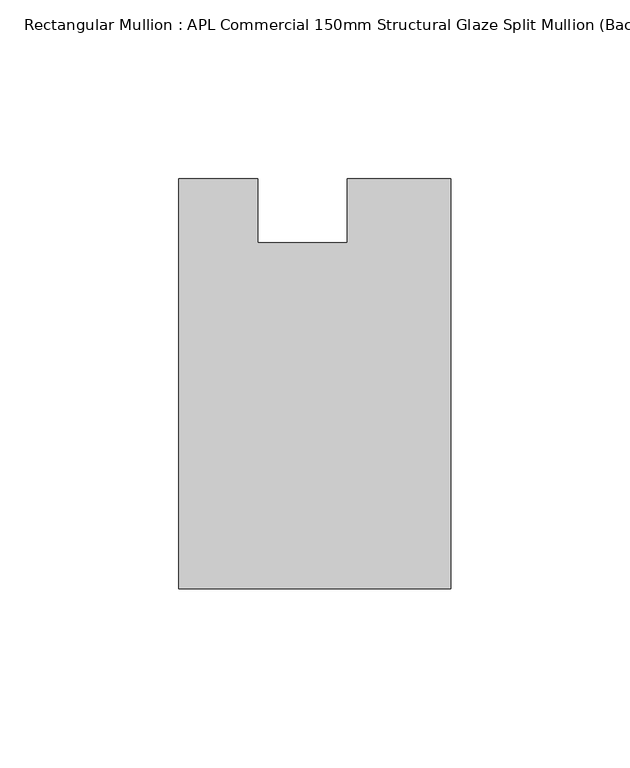
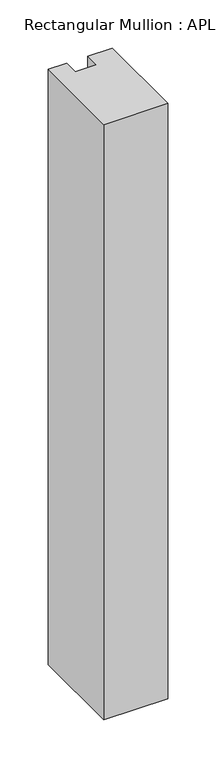
"""IFC4 building model written with IfcOpenShell, lengths in millimetres: member geometry, Rectangular Mullion : APL Commercial 150mm Structural Glaze Split Mullion (Back)."""

import ifcopenshell
import ifcopenshell.guid

model = None  # the IFC model being written
_history = None  # IfcOwnerHistory: only IFC2X3 demands one
_inside = {}  # id of a spatial element -> (the spatial element, [elements in it])
_under = {}  # id of a project, library or spatial element -> (it, [spatial elements below it])
_declared = {}  # id of a project -> (the project, [libraries it declares])
_typed = {}  # id of a type object -> (the type object, [elements of that type])
_made_of = {}  # id of a material, layer set ... -> (it, [elements and type objects made of it])


def new_model(schema):
    """Start an empty IFC model of exactly this schema.

    Asked for "IFC4X3", IfcOpenShell would pick the latest addendum, in which some entities
    have other attributes; the version numbers below select the first issue.
    IFC2X3 requires an IfcOwnerHistory on every rooted entity: one is made here for all.
    """
    global model, _history
    if schema == "IFC4X3":
        model = ifcopenshell.file(schema_version=(4, 3, 0, 0))
    else:
        model = ifcopenshell.file(schema=schema)
    _inside.clear()
    _under.clear()
    _declared.clear()
    _typed.clear()
    _made_of.clear()
    _history = None
    if model.schema == "IFC2X3":
        org = make("IfcOrganization", Name="unknown")
        user = make(
            "IfcPersonAndOrganization",
            ThePerson=make("IfcPerson", FamilyName="unknown"),
            TheOrganization=org,
        )
        app = make(
            "IfcApplication",
            ApplicationDeveloper=org,
            Version="unknown",
            ApplicationFullName="unknown",
            ApplicationIdentifier="unknown",
        )
        _history = make(
            "IfcOwnerHistory",
            OwningUser=user,
            OwningApplication=app,
            ChangeAction="ADDED",
            CreationDate=0,
        )
    return model


def make(cls, **values):
    """One entity of the class cls with the attributes given. An attribute that is None is left unset."""
    return model.create_entity(
        cls, **{name: value for name, value in values.items() if value is not None}
    )


def rooted(cls, **values):
    """An entity with a GlobalId (a new one), such as an element, a storey or a relation."""
    return make(cls, GlobalId=ifcopenshell.guid.new(), OwnerHistory=_history, **values)


def si_unit(unit_type, name, prefix=None):
    """IfcSIUnit, for example si_unit("LENGTHUNIT", "METRE", prefix="MILLI")."""
    return make("IfcSIUnit", UnitType=unit_type, Prefix=prefix, Name=name)


def assignment(units):
    """IfcUnitAssignment: the units of a project."""
    return None if units is None else make("IfcUnitAssignment", Units=units)


def point(xyz):
    """IfcCartesianPoint."""
    return None if xyz is None else make("IfcCartesianPoint", Coordinates=xyz)


def direction(xyz):
    """IfcDirection."""
    return None if xyz is None else make("IfcDirection", DirectionRatios=xyz)


def frame(location, z_axis=None, x_axis=None):
    """IfcAxis2Placement3D, a coordinate frame: its origin and axes. An axis left out is left unset."""
    return make(
        "IfcAxis2Placement3D",
        Location=point(location),
        Axis=direction(z_axis),
        RefDirection=direction(x_axis),
    )


def origin():
    """The frame at (0, 0, 0) with its axes left unset."""
    return frame((0.0, 0.0, 0.0))


def place(relative_to, where):
    """IfcLocalPlacement: puts the frame where relative to a parent placement (None: the world)."""
    return make(
        "IfcLocalPlacement", PlacementRelTo=relative_to, RelativePlacement=where
    )


def context(
    kind, dimensions, precision=None, world=None, true_north=None, identifier=None
):
    """IfcGeometricRepresentationContext, for example the 3D "Model" context."""
    return make(
        "IfcGeometricRepresentationContext",
        ContextIdentifier=identifier,
        ContextType=kind,
        CoordinateSpaceDimension=dimensions,
        Precision=precision,
        WorldCoordinateSystem=world,
        TrueNorth=true_north,
    )


def project(units=None, contexts=None):
    """IfcProject with its units and contexts."""
    return rooted(
        "IfcProject",
        Name="project",
        RepresentationContexts=contexts,
        UnitsInContext=assignment(units),
    )


def spatial(cls, under=None, at=None, **own):
    """A site, building, storey or space (cls), placed at a placement, below another one or the project."""
    s = rooted(cls, ObjectPlacement=at, **own)
    if under is not None:
        _under.setdefault(under.id(), (under, []))[1].append(s)
    return s


def polyline(points):
    """IfcPolyline through the points."""
    return make("IfcPolyline", Points=[point(p) for p in points])


def outline(outer, holes=None, kind="AREA"):
    """IfcArbitraryClosedProfileDef: a profile drawn as a closed curve; with holes, ...WithVoids."""
    if holes is None:
        return make("IfcArbitraryClosedProfileDef", ProfileType=kind, OuterCurve=outer)
    return make(
        "IfcArbitraryProfileDefWithVoids",
        ProfileType=kind,
        OuterCurve=outer,
        InnerCurves=holes,
    )


def extrude(swept, where, along, depth):
    """IfcExtrudedAreaSolid: the profile swept, set in the frame where, extruded along a direction by depth."""
    return make(
        "IfcExtrudedAreaSolid",
        SweptArea=swept,
        Position=where,
        ExtrudedDirection=direction(along),
        Depth=depth,
    )


def shape(context_of_items, identifier, shape_type, items):
    """IfcShapeRepresentation: the items that make up one representation, for example the "Body"."""
    return make(
        "IfcShapeRepresentation",
        ContextOfItems=context_of_items,
        RepresentationIdentifier=identifier,
        RepresentationType=shape_type,
        Items=items,
    )


def source(mapping_origin, context_of_items, identifier, shape_type, items):
    """IfcRepresentationMap: a shape defined once, which mapped items show again and again."""
    return make(
        "IfcRepresentationMap",
        MappingOrigin=mapping_origin,
        MappedRepresentation=shape(context_of_items, identifier, shape_type, items),
    )


def transform(
    local_origin,
    x_axis=None,
    y_axis=None,
    z_axis=None,
    scale=None,
    scale2=None,
    scale3=None,
    uniform=True,
):
    """IfcCartesianTransformationOperator3D, or its non-uniform kind. x_axis, y_axis, z_axis: its Axis1, 2, 3."""
    if uniform:
        return make(
            "IfcCartesianTransformationOperator3D",
            Axis1=direction(x_axis),
            Axis2=direction(y_axis),
            LocalOrigin=point(local_origin),
            Scale=scale,
            Axis3=direction(z_axis),
        )
    return make(
        "IfcCartesianTransformationOperator3DnonUniform",
        Axis1=direction(x_axis),
        Axis2=direction(y_axis),
        LocalOrigin=point(local_origin),
        Scale=scale,
        Axis3=direction(z_axis),
        Scale2=scale2,
        Scale3=scale3,
    )


def mapped(mapping_source, mapping_target):
    """IfcMappedItem: shows the shape of a source again, moved by a transform."""
    return make(
        "IfcMappedItem", MappingSource=mapping_source, MappingTarget=mapping_target
    )


def made_of(thing, what):
    """Note that an element or type object is made of a material, layer set ...; save() writes the relation."""
    if what is not None:
        _made_of.setdefault(what.id(), (what, []))[1].append(thing)
    return thing


def element(
    cls,
    number,
    at=None,
    inside=None,
    cuts=None,
    type_object=None,
    material=None,
    context=None,
    identifier="Body",
    shape_type=None,
    held_by="IfcProductDefinitionShape",
    body=None,
    shapes=None,
    **own,
):
    """One element of the class cls, such as IfcWall. Its Tag is "e" and its number.

    at: its placement. inside: the storey or other place that contains it. cuts: it is an
    opening in that element (IfcRelVoidsElement). A single representation is given by context,
    identifier, shape_type and body (its items); several are given by shapes. held_by: the class
    of the entity that holds the representations. save() writes the other relations.
    """
    e = rooted(cls, Tag="e%d" % number, ObjectPlacement=at, **own)
    if body is not None:
        shapes = [shape(context, identifier, shape_type, body)]
    if shapes is not None:
        e.Representation = make(held_by, Representations=shapes)
    if inside is not None:
        _inside.setdefault(inside.id(), (inside, []))[1].append(e)
    if cuts is not None:
        rooted(
            "IfcRelVoidsElement", RelatingBuildingElement=cuts, RelatedOpeningElement=e
        )
    if type_object is not None:
        _typed.setdefault(type_object.id(), (type_object, []))[1].append(e)
    return made_of(e, material)


def aggregate(whole, parts):
    """IfcRelAggregates: a whole, such as a stair, and the parts it consists of."""
    return rooted("IfcRelAggregates", RelatingObject=whole, RelatedObjects=parts)


def save(model, path):
    """Write the relations noted so far, then the file.

    IfcRelAggregates (storeys below a building ...), IfcRelContainedInSpatialStructure (elements
    in a storey), IfcRelDefinesByType, IfcRelAssociatesMaterial and IfcRelDeclares: one each for
    every whole, place, type object, material and project.
    """
    for whole, parts in _under.values():
        aggregate(whole, parts)
    for where, things in _inside.values():
        rooted(
            "IfcRelContainedInSpatialStructure",
            RelatedElements=things,
            RelatingStructure=where,
        )
    for kind, things in _typed.values():
        rooted("IfcRelDefinesByType", RelatedObjects=things, RelatingType=kind)
    for what, things in _made_of.values():
        rooted("IfcRelAssociatesMaterial", RelatedObjects=things, RelatingMaterial=what)
    for by, libraries in _declared.values():
        rooted("IfcRelDeclares", RelatingContext=by, RelatedDefinitions=libraries)
    model.write(path)


def rectangular_mullion_apl_commercial_150mm_structural_glaze_53c9c017(model_context):
    return source(origin(), model_context, "Body", "SweptSolid", [
        extrude(outline(polyline([(37.9999914, -129.5195626), (-37.9999896, -129.5195626), (-37.9999896, -14.9960123), (-16.0, -14.9960123), (-16.0, -32.7960123), (9.0, -32.7960123), (9.0, -14.9960123), (37.9999914, -14.9960123), (37.9999914, -129.5195626)])), frame((0.0, 0.0, -750.6149322), z_axis=(0.0, 0.0, 1.0), x_axis=(1.0, 0.0, 0.0)), (0.0, 0.0, 1.0), 750.6149322),
    ])


if __name__ == "__main__":
    model = new_model("IFC4")
    model_context = context("Model", 3, world=origin())
    ifc_project = project(units=[si_unit("LENGTHUNIT", "METRE", prefix="MILLI")], contexts=[model_context])
    site = spatial("IfcSite", under=ifc_project)
    building = spatial("IfcBuilding", under=site)
    placement = place(None, origin())
    rectangular_mullion_apl_commercial_150mm_structural_glaze_shape = rectangular_mullion_apl_commercial_150mm_structural_glaze_53c9c017(model_context)
    element("IfcMember", 1, ObjectType="Rectangular Mullion : APL Commercial 150mm Structural Glaze Split Mullion (Back)", at=placement, inside=building, context=model_context, shape_type="MappedRepresentation", body=[
        mapped(rectangular_mullion_apl_commercial_150mm_structural_glaze_shape, transform((0.0, 0.0, 0.0), x_axis=(1.0, 0.0, 0.0), y_axis=(0.0, 1.0, 0.0), z_axis=(0.0, 0.0, 1.0))),
    ])
    save(model, "model.ifc")
